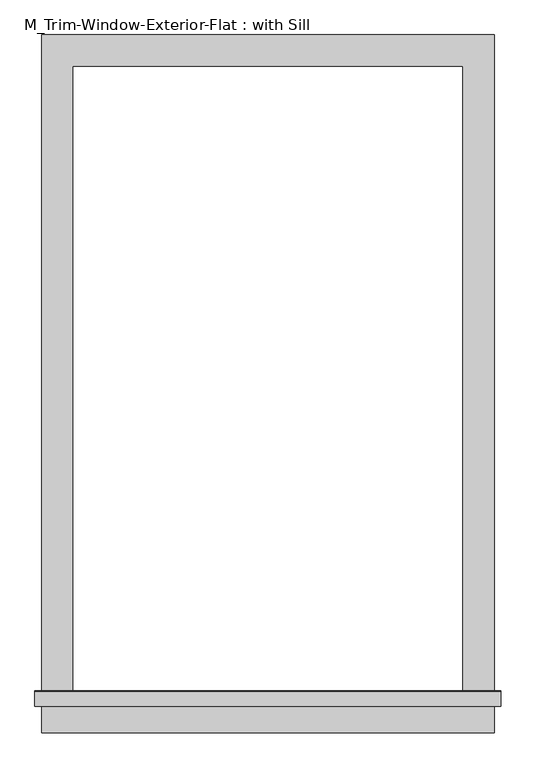
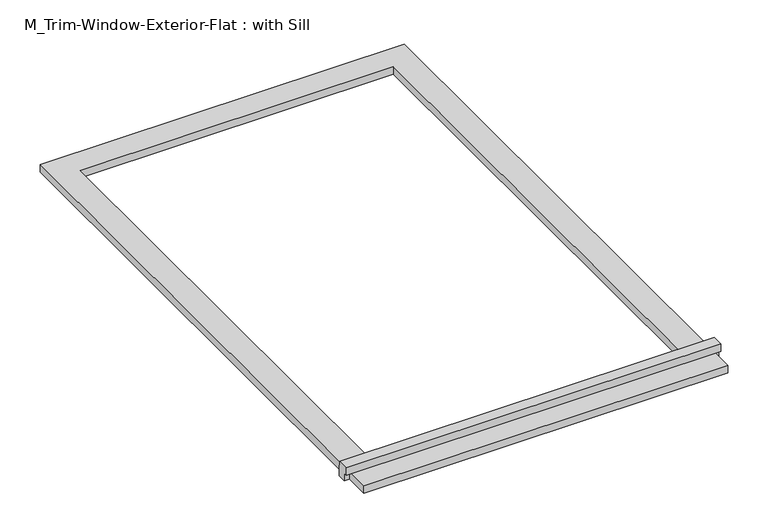
"""IFC4 building model written with IfcOpenShell, lengths in millimetres: proxy geometry, M_Trim-Window-Exterior-Flat : with Sill."""

from ifc_helpers import new_model, si_unit, frame, origin, origin_with_axes, place, context, project, spatial, polyline, outline, extrude, source, transform, mapped, element, save


def m_trim_window_exterior_flat_with_sill_e7ff6350(model_context):
    return source(origin(), model_context, "Body", "SweptSolid", [
        extrude(outline(polyline([(435.0, -1220.4323709), (435.0, -1280.4323709), (-435.0, -1280.4323709), (-435.0, -1220.4323709), (435.0, -1220.4323709)])), origin_with_axes(), (0.0, 0.0, 1.0), 19.05),
        extrude(outline(polyline([(-1230.0, 38.1), (-1202.4580645, 38.1), (-1200.0, 19.05), (-1200.0, 0.0), (-1220.4323709, 0.0), (-1220.4323709, 19.05), (-1230.0, 19.05), (-1230.0, 38.1)])), frame((-447.7, 0.0, 0.0), z_axis=(1.0, 0.0, 0.0), x_axis=(0.0, 1.0, 0.0)), (0.0, 0.0, 1.0), 895.4),
        extrude(outline(polyline([(-435.0, 60.0), (435.0, 60.0), (435.0, -1200.0), (375.0, -1200.0), (375.0, 0.0), (-375.0, 0.0), (-375.0, -1200.0), (-435.0, -1200.0), (-435.0, 60.0)])), origin_with_axes(), (0.0, 0.0, 1.0), 19.05),
    ])


if __name__ == "__main__":
    model = new_model("IFC4")
    model_context = context("Model", 3, world=origin())
    ifc_project = project(units=[si_unit("LENGTHUNIT", "METRE", prefix="MILLI")], contexts=[model_context])
    site = spatial("IfcSite", under=ifc_project)
    building = spatial("IfcBuilding", under=site)
    placement = place(None, origin())
    m_trim_window_exterior_flat_with_sill_shape = m_trim_window_exterior_flat_with_sill_e7ff6350(model_context)
    element("IfcBuildingElementProxy", 1, Name="M_Trim-Window-Exterior-Flat : with Sill", ObjectType="M_Trim-Window-Exterior-Flat : with Sill", at=placement, inside=building, context=model_context, shape_type="MappedRepresentation", body=[
        mapped(m_trim_window_exterior_flat_with_sill_shape, transform((0.0, 0.0, 0.0), x_axis=(1.0, 0.0, 0.0), y_axis=(0.0, 1.0, 0.0), z_axis=(0.0, 0.0, 1.0))),
    ])
    save(model, "model.ifc")
